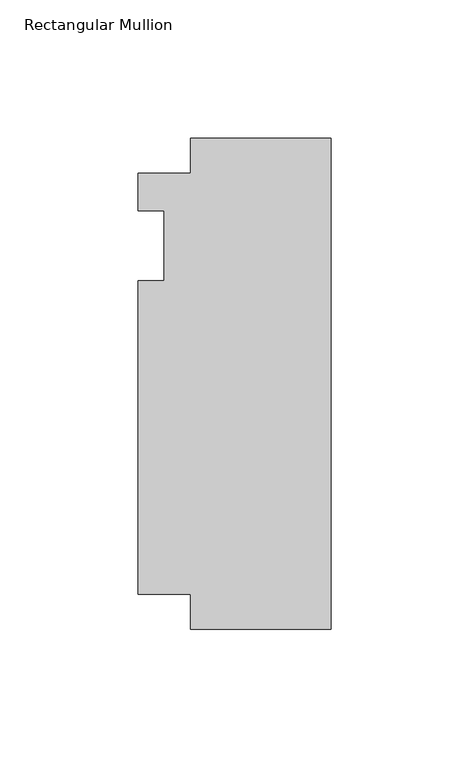
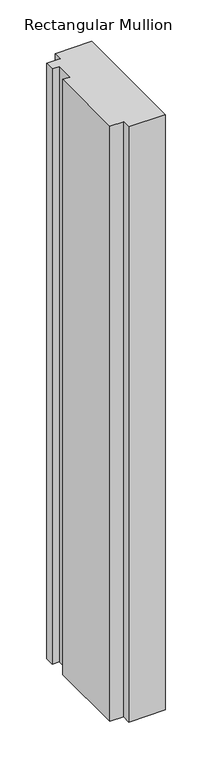
"""IFC4 building model written with IfcOpenShell, lengths in millimetres: member geometry, Rectangular Mullion."""

from ifc_helpers import new_model, si_unit, frame, origin, place, context, project, spatial, polyline, outline, extrude, source, transform, mapped, element, save


def rectangular_mullion_6d937216(model_context):
    return source(origin(), model_context, "Body", "SweptSolid", [
        extrude(outline(polyline([(-69.85, 26.19375), (-50.8, 26.19375), (-50.8, 38.8943162), (0.0, 38.8943162), (0.0, -138.90625), (-50.8, -138.90625), (-50.8, -126.20625), (-69.85, -126.20625), (-69.85, -12.7), (-60.325, -12.7), (-60.325, 12.7), (-69.85, 12.7), (-69.85, 26.19375)])), frame((0.0, 0.0, -876.3), z_axis=(0.0, 0.0, 1.0), x_axis=(1.0, 0.0, 0.0)), (0.0, 0.0, 1.0), 876.3),
    ])


if __name__ == "__main__":
    model = new_model("IFC4")
    model_context = context("Model", 3, world=origin())
    ifc_project = project(units=[si_unit("LENGTHUNIT", "METRE", prefix="MILLI")], contexts=[model_context])
    site = spatial("IfcSite", under=ifc_project)
    building = spatial("IfcBuilding", under=site)
    placement = place(None, origin())
    rectangular_mullion_shape = rectangular_mullion_6d937216(model_context)
    element("IfcMember", 1, ObjectType="Rectangular Mullion", at=placement, inside=building, context=model_context, shape_type="MappedRepresentation", body=[
        mapped(rectangular_mullion_shape, transform((0.0, 0.0, 0.0), x_axis=(1.0, 0.0, 0.0), y_axis=(0.0, 1.0, 0.0), z_axis=(0.0, 0.0, 1.0))),
    ])
    save(model, "model.ifc")
